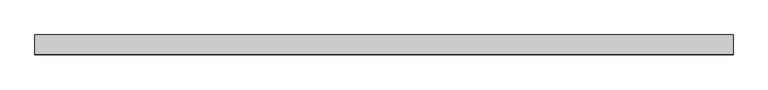
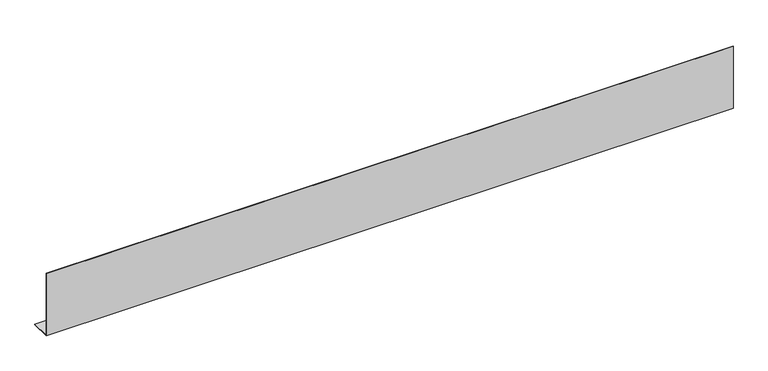
"""IFC4 building model written with IfcOpenShell, lengths in millimetres: proxy geometry."""

from ifc_helpers import new_model, si_unit, frame, origin, place, context, project, spatial, polyline, outline, extrude, source, transform, mapped, element, save


def generic_models_341be337(model_context):
    return source(origin(), model_context, "Body", "SweptSolid", [
        extrude(outline(polyline([(0.0, 200.0), (1.0, 200.0), (1.0, 1.0), (60.0, 1.0), (60.0, 0.0), (0.0, 0.0), (0.0, 200.0)])), frame((0.0, 0.0, 0.0), z_axis=(1.0, 0.0, 0.0), x_axis=(0.0, 1.0, 0.0)), (0.0, 0.0, 1.0), 2087.0052864),
        extrude(outline(polyline([(0.0, 200.0), (1.0, 200.0), (1.0, 1.0), (60.0, 1.0), (60.0, 0.0), (0.0, 0.0), (0.0, 200.0)])), frame((0.0, 0.0, 0.0), z_axis=(1.0, 0.0, 0.0), x_axis=(0.0, 1.0, 0.0)), (0.0, 0.0, 1.0), 2087.0052864),
    ])


if __name__ == "__main__":
    model = new_model("IFC4")
    model_context = context("Model", 3, world=origin())
    ifc_project = project(units=[si_unit("LENGTHUNIT", "METRE", prefix="MILLI")], contexts=[model_context])
    site = spatial("IfcSite", under=ifc_project)
    building = spatial("IfcBuilding", under=site)
    placement = place(None, origin())
    generic_models_shape = generic_models_341be337(model_context)
    element("IfcBuildingElementProxy", 1, Name="Generic Models", at=placement, inside=building, context=model_context, shape_type="MappedRepresentation", body=[
        mapped(generic_models_shape, transform((0.0, 0.0, 0.0), x_axis=(1.0, 0.0, 0.0), y_axis=(0.0, 1.0, 0.0), z_axis=(0.0, 0.0, 1.0))),
    ])
    save(model, "model.ifc")
